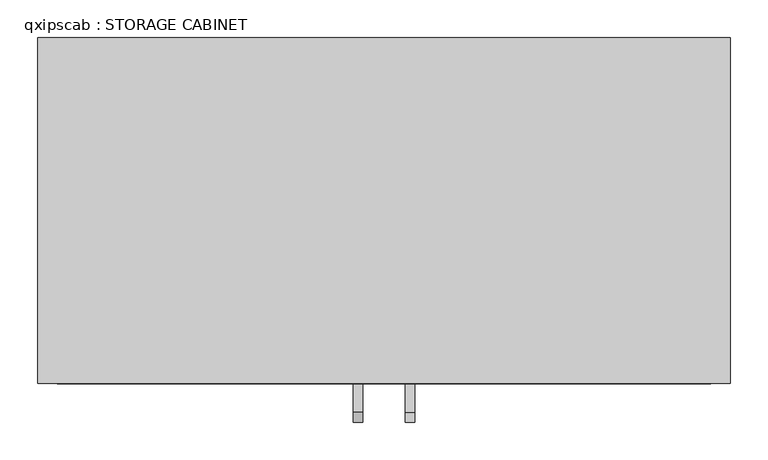
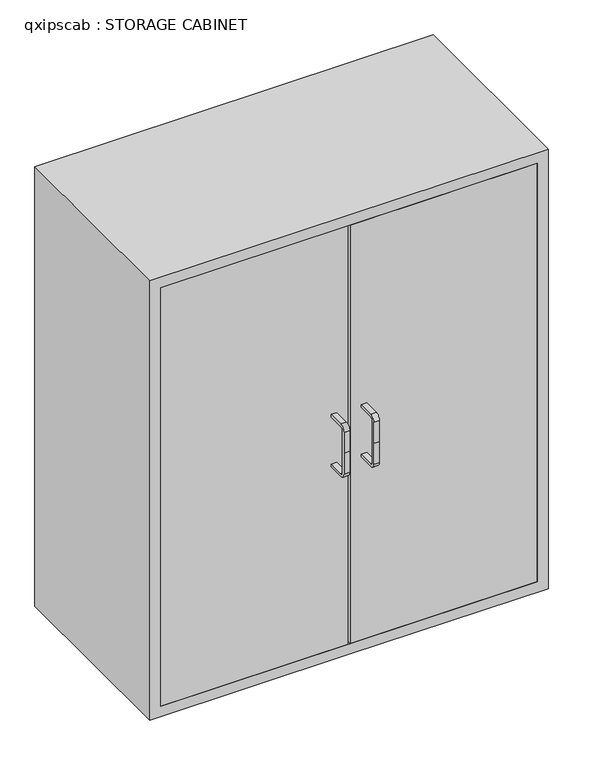
"""IFC4 building model written with IfcOpenShell, lengths in millimetres: proxy geometry, qxipscab : STORAGE CABINET."""

from ifc_helpers import new_model, si_unit, point, frame, frame_2d, origin, place, context, project, spatial, polyline, circle_curve, trimmed, segment, composite_curve, outline, extrude, faceted_brep, source, transform, mapped, element, save


def qxipscab_storage_cabinet_8ecbd8eb(model_context):
    return source(origin(), model_context, "Body", "SolidModel", [
        extrude(outline(composite_curve([segment(trimmed(circle_curve(frame_2d((-495.3, 584.2)), 12.7), [point((-508.0, 584.2))], [point((-495.3, 596.9))], False, "CARTESIAN"), True, "CONTINUOUS"), segment(polyline([(-495.3, 596.9), (-457.2, 596.9), (-457.2, 590.55), (-495.3, 590.55)]), True, "CONTINUOUS"), segment(trimmed(circle_curve(frame_2d((-495.3, 584.2)), 6.35), [point((-495.3, 590.55))], [point((-501.65, 584.2))], True, "CARTESIAN"), True, "CONTINUOUS"), segment(polyline([(-501.65, 584.2), (-501.65, 533.4), (-501.65, 482.6)]), True, "CONTINUOUS"), segment(trimmed(circle_curve(frame_2d((-495.3, 482.6)), 6.35), [point((-501.65, 482.6))], [point((-495.3, 476.25))], True, "CARTESIAN"), True, "CONTINUOUS"), segment(polyline([(-495.3, 476.25), (-457.2, 476.25), (-457.2, 469.9), (-495.3, 469.9)]), True, "CONTINUOUS"), segment(trimmed(circle_curve(frame_2d((-495.3, 482.6)), 12.7), [point((-495.3, 469.9))], [point((-508.0, 482.6))], False, "CARTESIAN"), True, "CONTINUOUS"), segment(polyline([(-508.0, 482.6), (-508.0, 533.4), (-508.0, 584.2)]), True, "CONTINUOUS")], self_intersect=False)), frame((-40.64, 0.0, 0.0), z_axis=(1.0, 0.0, 0.0), x_axis=(0.0, 1.0, 0.0)), (0.0, 0.0, 1.0), 12.7),
        extrude(outline(composite_curve([segment(trimmed(circle_curve(frame_2d((-495.3, 584.2)), 12.7), [point((-508.0, 584.2))], [point((-495.3, 596.9))], False, "CARTESIAN"), True, "CONTINUOUS"), segment(polyline([(-495.3, 596.9), (-457.2, 596.9), (-457.2, 590.55), (-495.3, 590.55)]), True, "CONTINUOUS"), segment(trimmed(circle_curve(frame_2d((-495.3, 584.2)), 6.35), [point((-495.3, 590.55))], [point((-501.65, 584.2))], True, "CARTESIAN"), True, "CONTINUOUS"), segment(polyline([(-501.65, 584.2), (-501.65, 533.4), (-501.65, 482.6)]), True, "CONTINUOUS"), segment(trimmed(circle_curve(frame_2d((-495.3, 482.6)), 6.35), [point((-501.65, 482.6))], [point((-495.3, 476.25))], True, "CARTESIAN"), True, "CONTINUOUS"), segment(polyline([(-495.3, 476.25), (-457.2, 476.25), (-457.2, 469.9), (-495.3, 469.9)]), True, "CONTINUOUS"), segment(trimmed(circle_curve(frame_2d((-495.3, 482.6)), 12.7), [point((-495.3, 469.9))], [point((-508.0, 482.6))], False, "CARTESIAN"), True, "CONTINUOUS"), segment(polyline([(-508.0, 482.6), (-508.0, 533.4), (-508.0, 584.2)]), True, "CONTINUOUS")], self_intersect=False)), frame((27.94, 0.0, 0.0), z_axis=(1.0, 0.0, 0.0), x_axis=(0.0, 1.0, 0.0)), (0.0, 0.0, 1.0), 12.7),
        faceted_brep([(457.2, -457.2, 0.0), (457.2, -457.2, 1066.8), (-457.2, -457.2, 1066.8), (-457.2, -457.2, 0.0), (0.0, -457.2, 0.0), (-431.8, -457.2, 1041.4), (431.8, -457.2, 1041.4), (431.8, -457.2, 25.4), (-431.8, -457.2, 25.4), (457.2, 0.0, 0.0), (0.0, 0.0, 0.0), (-457.2, 0.0, 0.0), (-457.2, 0.0, 1066.8), (457.2, 0.0, 1066.8), (431.8, -28.747457, 1041.4), (-431.8, -28.747457, 1041.4), (-431.8, -28.747457, 25.4), (431.8, -28.747457, 25.4)], [[[0, 1, 2, 3, 4], [5, 6, 7, 8]], [[9, 10, 11, 12, 13]], [[1, 0, 9, 13]], [[2, 1, 13, 12]], [[3, 2, 12, 11]], [[4, 3, 11, 10]], [[0, 4, 10, 9]], [[14, 15, 16, 17]], [[15, 14, 6, 5]], [[16, 15, 5, 8]], [[17, 16, 8, 7]], [[14, 17, 7, 6]]]),
        extrude(outline(polyline([(-2.54, -457.2), (-431.8, -457.2), (-431.8, -423.0341584), (-2.54, -423.0341584), (-2.54, -457.2)])), frame((0.0, 0.0, 25.4), z_axis=(0.0, 0.0, 1.0), x_axis=(1.0, 0.0, 0.0)), (0.0, 0.0, 1.0), 1016.0),
        extrude(outline(polyline([(431.8, -457.2), (2.54, -457.2), (2.54, -423.0341584), (431.8, -423.0341584), (431.8, -457.2)])), frame((0.0, 0.0, 25.4), z_axis=(0.0, 0.0, 1.0), x_axis=(1.0, 0.0, 0.0)), (0.0, 0.0, 1.0), 1016.0),
    ])


if __name__ == "__main__":
    model = new_model("IFC4")
    model_context = context("Model", 3, world=origin())
    ifc_project = project(units=[si_unit("LENGTHUNIT", "METRE", prefix="MILLI")], contexts=[model_context])
    site = spatial("IfcSite", under=ifc_project)
    building = spatial("IfcBuilding", under=site)
    placement = place(None, origin())
    qxipscab_storage_cabinet_shape = qxipscab_storage_cabinet_8ecbd8eb(model_context)
    element("IfcBuildingElementProxy", 1, Name="qxipscab : STORAGE CABINET", ObjectType="qxipscab : STORAGE CABINET", at=placement, inside=building, context=model_context, shape_type="MappedRepresentation", body=[
        mapped(qxipscab_storage_cabinet_shape, transform((0.0, 0.0, 0.0), x_axis=(1.0, 0.0, 0.0), y_axis=(0.0, 1.0, 0.0), z_axis=(0.0, 0.0, 1.0))),
    ])
    save(model, "model.ifc")
